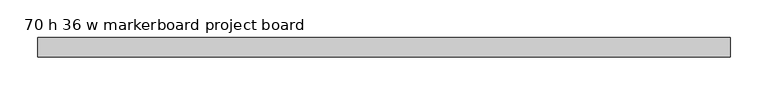
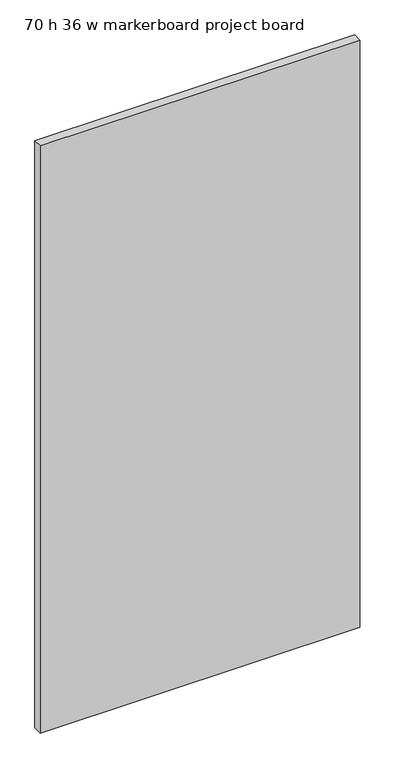
"""IFC4 building model written with IfcOpenShell, lengths in millimetres: furniture geometry, 70 h 36 w markerboard project board."""

from ifc_helpers import new_model, si_unit, frame, origin, place, context, project, spatial, polyline, outline, extrude, source, transform, mapped, element, save


def furniture_70_h_36_w_markerboard_project_board_2e9fcf8f(model_context):
    return source(origin(), model_context, "Body", "SweptSolid", [
        extrude(outline(polyline([(919.5645103, -4.6856657), (919.5645103, -30.0856636), (4.9954811, -30.0856636), (4.9954811, -4.6856657), (919.5645103, -4.6856657)])), frame((0.0, 0.0, 304.7998002), z_axis=(0.0, 0.0, 1.0), x_axis=(1.0, 0.0, 0.0)), (0.0, 0.0, 1.0), 1775.4988021),
    ])


if __name__ == "__main__":
    model = new_model("IFC4")
    model_context = context("Model", 3, world=origin())
    ifc_project = project(units=[si_unit("LENGTHUNIT", "METRE", prefix="MILLI")], contexts=[model_context])
    site = spatial("IfcSite", under=ifc_project)
    building = spatial("IfcBuilding", under=site)
    placement = place(None, origin())
    furniture_70_h_36_w_markerboard_project_board_shape = furniture_70_h_36_w_markerboard_project_board_2e9fcf8f(model_context)
    element("IfcFurniture", 1, ObjectType="70 h 36 w markerboard project board", at=placement, inside=building, context=model_context, shape_type="MappedRepresentation", body=[
        mapped(furniture_70_h_36_w_markerboard_project_board_shape, transform((0.0, 0.0, 0.0), x_axis=(1.0, 0.0, 0.0), y_axis=(0.0, 1.0, 0.0), z_axis=(0.0, 0.0, 1.0))),
    ])
    save(model, "model.ifc")
